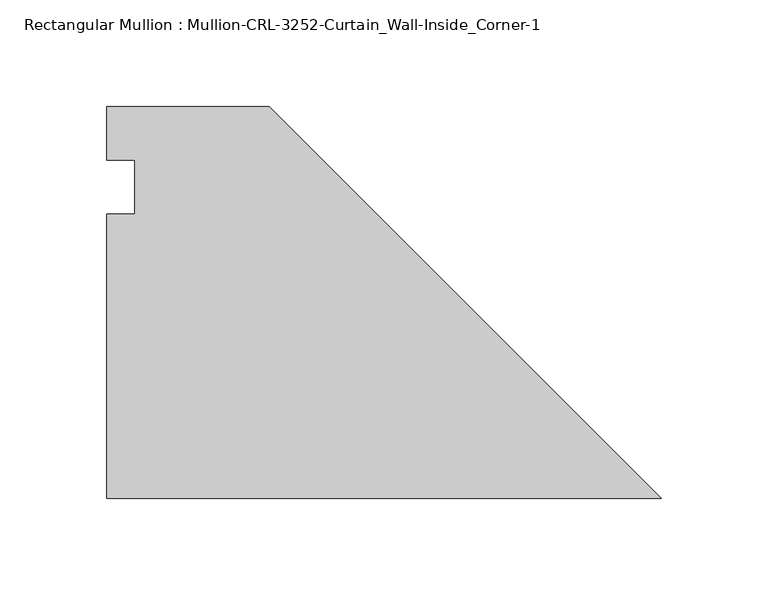
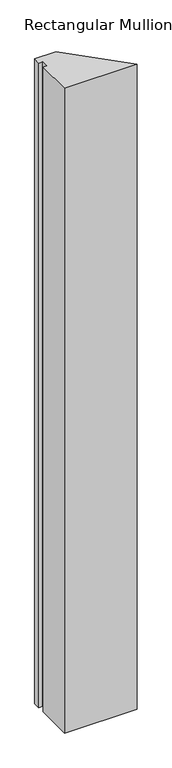
"""IFC4 building model written with IfcOpenShell, lengths in millimetres: member geometry, Rectangular Mullion : Mullion-CRL-3252-Curtain_Wall-Inside_Corner-1."""

from ifc_helpers import new_model, si_unit, frame, origin, place, context, project, spatial, polyline, outline, extrude, source, transform, mapped, element, save


def rectangular_mullion_mullion_crl_3252_curtain_wall_inside_fd3867fd(model_context):
    return source(origin(), model_context, "Body", "SweptSolid", [
        extrude(outline(polyline([(-183.8755352, 37.8701442), (0.0, -146.005391), (-260.0928023, -146.005391), (-260.0928023, -12.7), (-246.814215, -12.7), (-246.814215, 12.7), (-260.0928023, 12.7), (-260.0928023, 37.8701442), (-183.8755352, 37.8701442)])), frame((0.0, 0.0, -2438.1023438), z_axis=(0.0, 0.0, 1.0), x_axis=(1.0, 0.0, 0.0)), (0.0, 0.0, 1.0), 2438.1023438),
    ])


if __name__ == "__main__":
    model = new_model("IFC4")
    model_context = context("Model", 3, world=origin())
    ifc_project = project(units=[si_unit("LENGTHUNIT", "METRE", prefix="MILLI")], contexts=[model_context])
    site = spatial("IfcSite", under=ifc_project)
    building = spatial("IfcBuilding", under=site)
    placement = place(None, origin())
    rectangular_mullion_mullion_crl_3252_curtain_wall_inside_shape = rectangular_mullion_mullion_crl_3252_curtain_wall_inside_fd3867fd(model_context)
    element("IfcMember", 1, ObjectType="Rectangular Mullion : Mullion-CRL-3252-Curtain_Wall-Inside_Corner-1", at=placement, inside=building, context=model_context, shape_type="MappedRepresentation", body=[
        mapped(rectangular_mullion_mullion_crl_3252_curtain_wall_inside_shape, transform((0.0, 0.0, 0.0), x_axis=(1.0, 0.0, 0.0), y_axis=(0.0, 1.0, 0.0), z_axis=(0.0, 0.0, 1.0))),
    ])
    save(model, "model.ifc")
